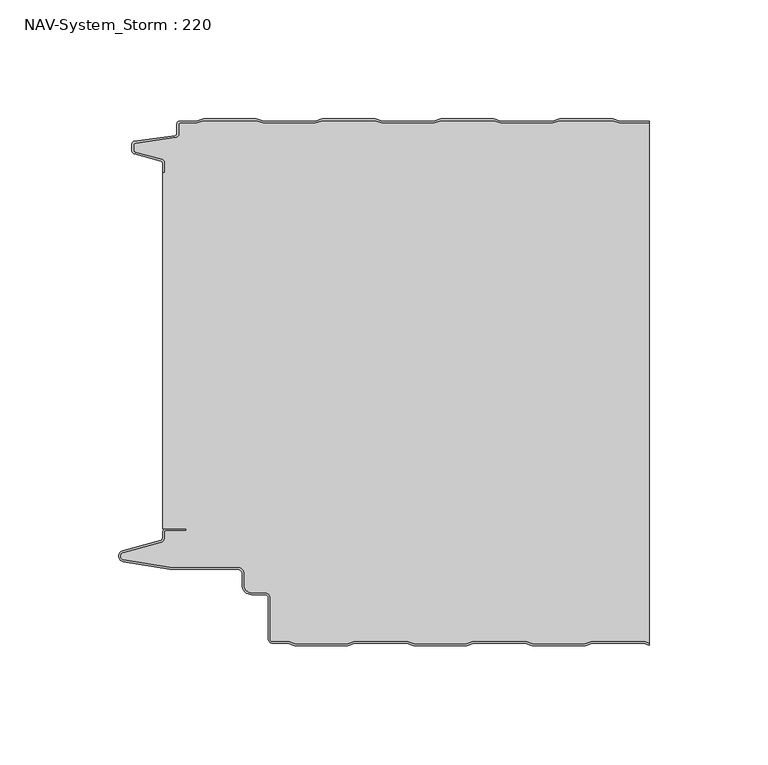
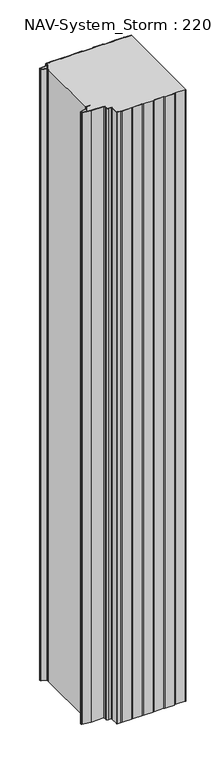
"""IFC4 building model written with IfcOpenShell, lengths in millimetres: plate geometry, NAV-System_Storm : 220."""

from ifc_helpers import new_model, si_unit, point, frame, frame_2d, origin, origin_with_axes, place, context, project, spatial, polyline, circle_curve, trimmed, segment, composite_curve, outline, extrude, source, transform, mapped, element, save
from ifc_brep_helpers import plane_surface, cylinder_surface, revolved_surface, advanced_brep


def nav_system_storm_220_94bc6c62(model_context):
    return source(origin(), model_context, "Body", "SolidModel", [
        extrude(outline(composite_curve([segment(polyline([(86.8684174, -0.8), (83.8684174, 0.2), (61.8684174, 0.2), (58.8684174, -0.8), (36.8684174, -0.8), (33.8684174, 0.2), (11.8684174, 0.2), (8.8684174, -0.8), (-13.1315826, -0.8), (-16.1315826, 0.2), (-38.1315826, 0.2), (-41.1315826, -0.8), (-63.1315826, -0.8), (-66.1315826, 0.2), (-88.1315826, 0.2), (-91.1315826, -0.8), (-98.2000153, -0.8)]), True, "CONTINUOUS"), segment(trimmed(circle_curve(frame_2d((-98.2000153, -1.3)), 0.5), [point((-98.2000153, -0.8))], [point((-98.7000153, -1.3))], True, "CARTESIAN"), True, "CONTINUOUS"), segment(polyline([(-98.7000153, -1.3), (-98.7000153, -5.3964683)]), True, "CONTINUOUS"), segment(trimmed(circle_curve(frame_2d((-100.2000153, -5.3964683)), 1.5), [point((-98.7000153, -5.3964683))], [point((-99.991136, -6.8818536))], False, "CARTESIAN"), True, "CONTINUOUS"), segment(polyline([(-99.991136, -6.8818536), (-116.9352336, -9.2645825)]), True, "CONTINUOUS"), segment(trimmed(circle_curve(frame_2d((-116.8115062, -10.1444347)), 0.8885091), [point((-116.9352336, -9.2645825))], [point((-117.7000153, -10.1444347))], True, "CARTESIAN"), True, "CONTINUOUS"), segment(polyline([(-117.7000153, -10.1444347), (-117.7000153, -12.46995)]), True, "CONTINUOUS"), segment(trimmed(circle_curve(frame_2d((-117.1000153, -12.46995)), 0.6), [point((-117.7000153, -12.46995))], [point((-117.2553067, -13.0495055))], True, "CARTESIAN"), True, "CONTINUOUS"), segment(polyline([(-117.2553067, -13.0495055), (-105.8785784, -16.0978907)]), True, "CONTINUOUS"), segment(trimmed(circle_curve(frame_2d((-106.266807, -17.5467794)), 1.5), [point((-105.8785784, -16.0978907))], [point((-104.766807, -17.5467794))], False, "CARTESIAN"), True, "CONTINUOUS"), segment(polyline([(-104.766807, -17.5467794), (-104.766807, -21.623446), (-105.566807, -21.623446), (-105.566807, -17.5467794)]), True, "CONTINUOUS"), segment(trimmed(circle_curve(frame_2d((-106.266807, -17.5467794)), 0.7), [point((-105.566807, -17.5467794))], [point((-106.0856337, -16.8706313))], True, "CARTESIAN"), True, "CONTINUOUS"), segment(polyline([(-106.0856337, -16.8706313), (-117.53648, -13.8023863)]), True, "CONTINUOUS"), segment(trimmed(circle_curve(frame_2d((-117.2000153, -12.5466827)), 1.3), [point((-117.53648, -13.8023863))], [point((-118.5000153, -12.5466827))], False, "CARTESIAN"), True, "CONTINUOUS"), segment(polyline([(-118.5000153, -12.5466827), (-118.5000153, -9.8067363)]), True, "CONTINUOUS"), segment(trimmed(circle_curve(frame_2d((-117.2000153, -9.8067363)), 1.3), [point((-118.5000153, -9.8067363))], [point((-117.3810439, -8.5194024))], False, "CARTESIAN"), True, "CONTINUOUS"), segment(polyline([(-117.3810439, -8.5194024), (-100.1025383, -6.0896481)]), True, "CONTINUOUS"), segment(trimmed(circle_curve(frame_2d((-100.2000153, -5.3964683)), 0.7), [point((-100.1025383, -6.0896481))], [point((-99.5000153, -5.3964683))], True, "CARTESIAN"), True, "CONTINUOUS"), segment(polyline([(-99.5000153, -5.3964683), (-99.5000153, -1.3)]), True, "CONTINUOUS"), segment(trimmed(circle_curve(frame_2d((-98.2000153, -1.3)), 1.3), [point((-99.5000153, -1.3))], [point((-98.2000153, 0.0))], False, "CARTESIAN"), True, "CONTINUOUS"), segment(polyline([(-98.2000153, 0.0), (-91.2614047, 0.0), (-88.2614047, 1.0), (-66.0017605, 1.0), (-63.0017605, 0.0), (-41.2614047, 0.0), (-38.2614047, 1.0), (-16.0017605, 1.0), (-13.0017605, 0.0), (8.7385953, 0.0), (11.7385953, 1.0), (33.9982395, 1.0), (36.9982395, 0.0), (58.7385953, 0.0), (61.7385953, 1.0), (83.9982395, 1.0), (86.9982395, 0.0), (99.5, 0.0), (99.5, -0.8), (86.8684174, -0.8)]), True, "CONTINUOUS")], self_intersect=False)), origin_with_axes(), (0.0, 0.0, 1.0), 1500.0),
        advanced_brep(
        [(86.8684327, -0.8, 1500.0), (83.8684327, 0.2, 1500.0), (61.8684327, 0.2, 1500.0), (58.8684327, -0.8, 1500.0), (36.8684327, -0.8, 1500.0), (33.8684327, 0.2, 1500.0), (11.8684327, 0.2, 1500.0), (8.8684327, -0.8, 1500.0), (-13.1315673, -0.8, 1500.0), (-16.1315673, 0.2, 1500.0), (-38.1315673, 0.2, 1500.0), (-41.1315673, -0.8, 1500.0), (-63.1315673, -0.8, 1500.0), (-66.1315673, 0.2, 1500.0), (-88.1315673, 0.2, 1500.0), (-91.1315673, -0.8, 1500.0), (-98.2, -0.8, 1500.0), (-98.7, -1.3, 1500.0), (-98.7, -5.3964683, 1500.0), (-99.9911207, -6.8818536, 1500.0), (-116.9352183, -9.2645825, 1500.0), (-117.7, -10.1444347, 1500.0), (-117.7, -12.46995, 1500.0), (-117.2552914, -13.0495055, 1500.0), (-105.8785632, -16.0978907, 1500.0), (-104.7667917, -17.5467794, 1500.0), (-104.7667917, -21.623446, 1500.0), (-105.5667917, -21.623446, 1500.0), (-105.5667917, -171.7763253, 1500.0), (-95.5330891, -171.7763253, 1500.0), (-95.5330891, -172.5763253, 1500.0), (-104.0330891, -172.5763253, 1500.0), (-104.7330891, -173.2763253, 1500.0), (-104.7330891, -175.8624192, 1500.0), (-105.9560377, -177.4561968, 1500.0), (-122.0574978, -181.8079393, 1500.0), (-121.9021816, -184.8341065, 1500.0), (-102.4332334, -188.0040626, 1500.0), (-73.9661198, -188.0040626, 1500.0), (-71.1661198, -190.806803, 1500.0), (-71.1661198, -195.5, 1500.0), (-67.9661198, -198.7, 1500.0), (-62.4661198, -198.7, 1500.0), (-60.1661198, -201.0, 1500.0), (-60.1661198, -218.2484002, 1500.0), (-59.2161211, -219.2, 1500.0), (-52.5977024, -219.2, 1500.0), (-49.5977024, -220.2, 1500.0), (-27.5977024, -220.2, 1500.0), (-24.5977024, -219.2, 1500.0), (-2.5977024, -219.2, 1500.0), (0.4022976, -220.2, 1500.0), (22.4022976, -220.2, 1500.0), (25.4022976, -219.2, 1500.0), (47.4022976, -219.2, 1500.0), (50.4022976, -220.2, 1500.0), (72.4022976, -220.2, 1500.0), (75.4022976, -219.2, 1500.0), (97.4022976, -219.2, 1500.0), (99.5, -219.8992341, 1500.0), (99.5, -0.8, 1500.0), (97.4022976, -219.2, 0.0), (75.4022976, -219.2, 0.0), (72.4022976, -220.2, 0.0), (50.4022976, -220.2, 0.0), (47.4022976, -219.2, 0.0), (25.4022976, -219.2, 0.0), (22.4022976, -220.2, 0.0), (0.4022976, -220.2, 0.0), (-2.5977024, -219.2, 0.0), (-24.5977024, -219.2, 0.0), (-27.5977024, -220.2, 0.0), (-49.5977024, -220.2, 0.0), (-52.5977024, -219.2, 0.0), (-59.2161211, -219.2, 0.0), (-60.1661198, -218.2484002, 0.0), (-60.1661198, -201.0, 0.0), (-62.4661198, -198.7, 0.0), (-67.9661198, -198.7, 0.0), (-71.1661198, -195.5, 0.0), (-71.1661198, -190.806803, 0.0), (-73.9661198, -188.006803, 0.0), (-102.4332334, -188.0040626, 0.0), (-121.9021816, -184.8341065, 0.0), (-122.0574978, -181.8079393, 0.0), (-105.9560377, -177.4561968, 0.0), (-104.7330891, -175.8624192, 0.0), (-104.7330891, -173.2763253, 0.0), (-104.0330891, -172.5763253, 0.0), (-95.5330891, -172.5763253, 0.0), (-95.5330891, -171.7763253, 0.0), (-105.5667917, -171.7763253, 0.0), (-105.5667917, -21.623446, 0.0), (-104.7667917, -21.623446, 0.0), (-104.7667917, -17.5467794, 0.0), (-105.8785632, -16.0978907, 0.0), (-117.2552914, -13.0495055, 0.0), (-117.7, -12.46995, 0.0), (-117.7, -10.1444347, 0.0), (-116.9352183, -9.2645825, 0.0), (-99.9911207, -6.8818536, 0.0), (-98.7, -5.3964683, 0.0), (-98.7, -1.3, 0.0), (-98.2, -0.8, 0.0), (-91.1315673, -0.8, 0.0), (-88.1315673, 0.2, 0.0), (-66.1315673, 0.2, 0.0), (-63.1315673, -0.8, 0.0), (-41.1315673, -0.8, 0.0), (-38.1315673, 0.2, 0.0), (-16.1315673, 0.2, 0.0), (-13.1315673, -0.8, 0.0), (8.8684327, -0.8, 0.0), (11.8684327, 0.2, 0.0), (33.8684327, 0.2, 0.0), (36.8684327, -0.8, 0.0), (58.8684327, -0.8, 0.0), (61.8684327, 0.2, 0.0), (83.8684327, 0.2, 0.0), (86.8684327, -0.8, 0.0), (99.5, -0.8, 0.0), (99.5, -219.8992341, 0.0)],
        [
            (0, 1),
            (1, 2),
            (2, 3),
            (3, 4),
            (4, 5),
            (5, 6),
            (6, 7),
            (7, 8),
            (8, 9),
            (9, 10),
            (10, 11),
            (11, 12),
            (12, 13),
            (13, 14),
            (14, 15),
            (15, 16),
            (16, 17, circle_curve(frame((-98.2, -1.3, 1500.0), z_axis=(0.0, 0.0, 1.0), x_axis=(1.0, 0.0, 0.0)), 0.5)),
            (17, 18),
            (18, 19, circle_curve(frame((-100.2, -5.3964683, 1500.0), z_axis=(0.0, 0.0, -1.0), x_axis=(1.0, 0.0, 0.0)), 1.5)),
            (19, 20),
            (20, 21, circle_curve(frame((-116.8114909, -10.1444347, 1500.0), z_axis=(0.0, 0.0, 1.0), x_axis=(1.0, 0.0, 0.0)), 0.8885091)),
            (21, 22),
            (22, 23, circle_curve(frame((-117.1, -12.46995, 1500.0), z_axis=(0.0, 0.0, 1.0), x_axis=(1.0, 0.0, 0.0)), 0.6)),
            (23, 24),
            (24, 25, circle_curve(frame((-106.2667917, -17.5467794, 1500.0), z_axis=(0.0, 0.0, -1.0), x_axis=(1.0, 0.0, 0.0)), 1.5)),
            (25, 26),
            (26, 27),
            (27, 28),
            (28, 29),
            (29, 30),
            (30, 31),
            (31, 32, circle_curve(frame((-104.0330891, -173.2763253, 1500.0), z_axis=(0.0, 0.0, 1.0), x_axis=(1.0, 0.0, 0.0)), 0.7)),
            (32, 33),
            (33, 34, circle_curve(frame((-106.3830891, -175.8624192, 1500.0), z_axis=(0.0, 0.0, -1.0), x_axis=(1.0, 0.0, 0.0)), 1.65)),
            (34, 35),
            (35, 36, circle_curve(frame((-121.6530891, -183.3042526, 1500.0), z_axis=(0.0, 0.0, 1.0), x_axis=(1.0, 0.0, 0.0)), 1.55)),
            (36, 37),
            (37, 38),
            (38, 39, circle_curve(frame((-73.9661198, -190.806803, 1500.0), z_axis=(0.0, 0.0, -1.0), x_axis=(1.0, 0.0, 0.0)), 2.8)),
            (39, 40),
            (40, 41, circle_curve(frame((-67.9661198, -195.5, 1500.0), z_axis=(0.0, 0.0, 1.0), x_axis=(1.0, 0.0, 0.0)), 3.2)),
            (41, 42),
            (42, 43, circle_curve(frame((-62.4661198, -201.0, 1500.0), z_axis=(0.0, 0.0, -1.0), x_axis=(1.0, 0.0, 0.0)), 2.3)),
            (43, 44),
            (44, 45, circle_curve(frame((-59.2161211, -218.25, 1500.0), z_axis=(0.0, 0.0, 1.0), x_axis=(1.0, 0.0, 0.0)), 0.95)),
            (45, 46),
            (46, 47),
            (47, 48),
            (48, 49),
            (49, 50),
            (50, 51),
            (51, 52),
            (52, 53),
            (53, 54),
            (54, 55),
            (55, 56),
            (56, 57),
            (57, 58),
            (58, 59),
            (59, 60),
            (60, 0),
            (61, 62),
            (62, 63),
            (63, 64),
            (64, 65),
            (65, 66),
            (66, 67),
            (67, 68),
            (68, 69),
            (69, 70),
            (70, 71),
            (71, 72),
            (72, 73),
            (73, 74),
            (74, 75, circle_curve(frame((-59.2161211, -218.25, 0.0), z_axis=(0.0, 0.0, -1.0), x_axis=(1.0, 0.0, 0.0)), 0.95)),
            (75, 76),
            (76, 77, circle_curve(frame((-62.4661198, -201.0, 0.0), z_axis=(0.0, 0.0, 1.0), x_axis=(1.0, 0.0, 0.0)), 2.3)),
            (77, 78),
            (78, 79, circle_curve(frame((-67.9661198, -195.5, 0.0), z_axis=(0.0, 0.0, -1.0), x_axis=(1.0, 0.0, 0.0)), 3.2)),
            (79, 80),
            (80, 81, circle_curve(frame((-73.9661198, -190.806803, 0.0), z_axis=(0.0, 0.0, 1.0), x_axis=(1.0, 0.0, 0.0)), 2.8)),
            (81, 82),
            (82, 83),
            (83, 84, circle_curve(frame((-121.6530891, -183.3042526, 0.0), z_axis=(0.0, 0.0, -1.0), x_axis=(1.0, 0.0, 0.0)), 1.55)),
            (84, 85),
            (85, 86, circle_curve(frame((-106.3830891, -175.8624192, 0.0), z_axis=(0.0, 0.0, 1.0), x_axis=(1.0, 0.0, 0.0)), 1.65)),
            (86, 87),
            (87, 88, circle_curve(frame((-104.0330891, -173.2763253, 0.0), z_axis=(0.0, 0.0, -1.0), x_axis=(1.0, 0.0, 0.0)), 0.7)),
            (88, 89),
            (89, 90),
            (90, 91),
            (91, 92),
            (92, 93),
            (93, 94),
            (94, 95, circle_curve(frame((-106.2667917, -17.5467794, 0.0), z_axis=(0.0, 0.0, 1.0), x_axis=(1.0, 0.0, 0.0)), 1.5)),
            (95, 96),
            (96, 97, circle_curve(frame((-117.1, -12.46995, 0.0), z_axis=(0.0, 0.0, -1.0), x_axis=(1.0, 0.0, 0.0)), 0.6)),
            (97, 98),
            (98, 99, circle_curve(frame((-116.8114909, -10.1444347, 0.0), z_axis=(0.0, 0.0, -1.0), x_axis=(1.0, 0.0, 0.0)), 0.8885091)),
            (99, 100),
            (100, 101, circle_curve(frame((-100.2, -5.3964683, 0.0), z_axis=(0.0, 0.0, 1.0), x_axis=(1.0, 0.0, 0.0)), 1.5)),
            (101, 102),
            (102, 103, circle_curve(frame((-98.2, -1.3, 0.0), z_axis=(0.0, 0.0, -1.0), x_axis=(1.0, 0.0, 0.0)), 0.5)),
            (103, 104),
            (104, 105),
            (105, 106),
            (106, 107),
            (107, 108),
            (108, 109),
            (109, 110),
            (110, 111),
            (111, 112),
            (112, 113),
            (113, 114),
            (114, 115),
            (115, 116),
            (116, 117),
            (117, 118),
            (118, 119),
            (119, 120),
            (120, 121),
            (121, 61),
            (119, 0),
            (60, 120),
            (118, 1),
            (117, 2),
            (116, 3),
            (115, 4),
            (114, 5),
            (113, 6),
            (112, 7),
            (111, 8),
            (110, 9),
            (109, 10),
            (108, 11),
            (107, 12),
            (106, 13),
            (105, 14),
            (104, 15),
            (103, 16),
            (102, 17),
            (101, 18),
            (100, 19),
            (99, 20),
            (98, 21),
            (97, 22),
            (96, 23),
            (95, 24),
            (94, 25),
            (93, 26),
            (92, 27),
            (91, 28),
            (90, 29),
            (89, 30),
            (88, 31),
            (87, 32),
            (86, 33),
            (85, 34),
            (84, 35),
            (83, 36),
            (82, 37),
            (81, 38),
            (80, 39),
            (79, 40),
            (78, 41),
            (77, 42),
            (76, 43),
            (75, 44),
            (74, 45),
            (73, 46),
            (72, 47),
            (71, 48),
            (70, 49),
            (69, 50),
            (68, 51),
            (67, 52),
            (66, 53),
            (65, 54),
            (64, 55),
            (63, 56),
            (62, 57),
            (61, 58),
            (121, 59),
        ],
        [
            plane_surface(frame((-99.5, 0.0, 1500.0), z_axis=(0.0, 0.0, 1.0), x_axis=(0.0, -1.0, 0.0))),
            plane_surface(frame((-99.5, 0.0, 0.0), z_axis=(0.0, 0.0, -1.0), x_axis=(0.0, -1.0, 0.0))),
            plane_surface(frame((108.8684327, -0.8, 1500.0), z_axis=(0.0, 1.0, 0.0), x_axis=(0.0, 0.0, -1.0))),
            plane_surface(frame((86.8684327, -0.8, 1500.0), z_axis=(0.3162277660167034, 0.9486832980505586, 0.0), x_axis=(0.0, 0.0, -1.0))),
            plane_surface(frame((83.8684327, 0.2, 1500.0), z_axis=(0.0, 1.0, 0.0), x_axis=(0.0, 0.0, -1.0))),
            plane_surface(frame((61.8684327, 0.2, 1500.0), z_axis=(-0.3162277660167478, 0.948683298050544, 0.0), x_axis=(0.0, 0.0, -1.0))),
            plane_surface(frame((58.8684327, -0.8, 1500.0), z_axis=(0.0, 1.0, 0.0), x_axis=(0.0, 0.0, -1.0))),
            plane_surface(frame((36.8684327, -0.8, 1500.0), z_axis=(0.3162277660167612, 0.9486832980505394, 0.0), x_axis=(0.0, 0.0, -1.0))),
            plane_surface(frame((33.8684327, 0.2, 1500.0), z_axis=(0.0, 1.0, 0.0), x_axis=(0.0, 0.0, -1.0))),
            plane_surface(frame((11.8684327, 0.2, 1500.0), z_axis=(-0.3162277660168056, 0.9486832980505246, 0.0), x_axis=(0.0, 0.0, -1.0))),
            plane_surface(frame((8.8684327, -0.8, 1500.0), z_axis=(0.0, 1.0, 0.0), x_axis=(0.0, 0.0, -1.0))),
            plane_surface(frame((-13.1315673, -0.8, 1500.0), z_axis=(0.3162277660167548, 0.9486832980505415, 0.0), x_axis=(0.0, 0.0, -1.0))),
            plane_surface(frame((-16.1315673, 0.2, 1500.0), z_axis=(0.0, 1.0, 0.0), x_axis=(0.0, 0.0, -1.0))),
            plane_surface(frame((-38.1315673, 0.2, 1500.0), z_axis=(-0.31622776601682484, 0.9486832980505183, 0.0), x_axis=(0.0, 0.0, -1.0))),
            plane_surface(frame((-41.1315673, -0.8, 1500.0), z_axis=(0.0, 1.0, 0.0), x_axis=(0.0, 0.0, -1.0))),
            plane_surface(frame((-63.1315673, -0.8, 1500.0), z_axis=(0.3162277660167034, 0.9486832980505586, 0.0), x_axis=(0.0, 0.0, -1.0))),
            plane_surface(frame((-66.1315673, 0.2, 1500.0), z_axis=(0.0, 1.0, 0.0), x_axis=(0.0, 0.0, -1.0))),
            plane_surface(frame((-88.1315673, 0.2, 1500.0), z_axis=(-0.31622776601670927, 0.9486832980505567, 0.0), x_axis=(0.0, 0.0, -1.0))),
            plane_surface(frame((-91.1315673, -0.8, 1500.0), z_axis=(0.0, 1.0, 0.0), x_axis=(0.0, 0.0, -1.0))),
            cylinder_surface(frame((-98.2, -1.3, 1500.0), z_axis=(0.0, 0.0, 1.0), x_axis=(1.0, 0.0, 0.0)), 0.5),
            plane_surface(frame((-98.7, -1.3, 1500.0), z_axis=(-1.0, 0.0, 0.0), x_axis=(0.0, 0.0, -1.0))),
            revolved_surface(polyline([(-98.7, -5.3964683, 0.0), (-98.7, -5.3964683, 1500.0)]), (-100.2, -5.3964683, 1500.0), (0.0, 0.0, -1.0)),
            plane_surface(frame((-99.9911207, -6.8818536, 1500.0), z_axis=(-0.13925283650469739, 0.9902568593680107, 0.0), x_axis=(0.0, 0.0, -1.0))),
            cylinder_surface(frame((-116.8114909, -10.1444347, 1500.0), z_axis=(0.0, 0.0, 1.0), x_axis=(1.0, 0.0, 0.0)), 0.8885091),
            plane_surface(frame((-117.7, -10.1444347, 1500.0), z_axis=(-1.0, 0.0, 0.0), x_axis=(0.0, 0.0, -1.0))),
            cylinder_surface(frame((-117.1, -12.46995, 1500.0), z_axis=(0.0, 0.0, 1.0), x_axis=(1.0, 0.0, 0.0)), 0.6),
            plane_surface(frame((-117.2552914, -13.0495055, 1500.0), z_axis=(-0.2588190451027143, -0.9659258262890165, 0.0), x_axis=(0.0, 0.0, -1.0))),
            revolved_surface(polyline([(-104.7667917, -17.5467794, 0.0), (-104.7667917, -17.5467794, 1500.0)]), (-106.2667917, -17.5467794, 1500.0), (0.0, 0.0, -1.0)),
            plane_surface(frame((-104.7667917, -17.5467794, 1500.0), z_axis=(-1.0, 0.0, 0.0), x_axis=(0.0, 0.0, -1.0))),
            plane_surface(frame((-104.7667917, -21.623446, 1500.0), z_axis=(0.0, 1.0, 0.0), x_axis=(0.0, 0.0, -1.0))),
            plane_surface(frame((-105.5667917, -21.623446, 1500.0), z_axis=(-1.0, 0.0, 0.0), x_axis=(0.0, 0.0, -1.0))),
            plane_surface(frame((-105.5667917, -171.7763253, 1500.0), z_axis=(0.0, -1.0, 0.0), x_axis=(0.0, 0.0, -1.0))),
            plane_surface(frame((-95.5330891, -171.7763253, 1500.0), z_axis=(-1.0, 0.0, 0.0), x_axis=(0.0, 0.0, -1.0))),
            plane_surface(frame((-95.5330891, -172.5763253, 1500.0), z_axis=(0.0, 1.0, 0.0), x_axis=(0.0, 0.0, -1.0))),
            cylinder_surface(frame((-104.0330891, -173.2763253, 1500.0), z_axis=(0.0, 0.0, 1.0), x_axis=(1.0, 0.0, 0.0)), 0.7),
            plane_surface(frame((-104.7330891, -173.2763253, 1500.0), z_axis=(-1.0, 0.0, 0.0), x_axis=(0.0, 0.0, -1.0))),
            revolved_surface(polyline([(-104.7330891, -175.8624192, 0.0), (-104.7330891, -175.8624192, 1500.0)]), (-106.3830891, -175.8624192, 1500.0), (0.0, 0.0, -1.0)),
            plane_surface(frame((-105.9560377, -177.4561968, 1500.0), z_axis=(-0.2609088270168501, 0.9653634465757918, 0.0), x_axis=(0.0, 0.0, -1.0))),
            cylinder_surface(frame((-121.6530891, -183.3042526, 1500.0), z_axis=(0.0, 0.0, 1.0), x_axis=(1.0, 0.0, 0.0)), 1.55),
            plane_surface(frame((-121.9021816, -184.8341065, 1500.0), z_axis=(-0.16070486280353136, -0.9870025061119643, 0.0), x_axis=(0.0, 0.0, -1.0))),
            plane_surface(frame((-102.4332334, -188.0040626, 1500.0), z_axis=(0.0, -1.0, 0.0), x_axis=(0.0, 0.0, -1.0))),
            revolved_surface(polyline([(-71.1661198, -190.806803, 0.0), (-71.1661198, -190.806803, 1500.0)]), (-73.9661198, -190.806803, 1500.0), (0.0, 0.0, -1.0)),
            plane_surface(frame((-71.1661198, -190.806803, 1500.0), z_axis=(-1.0, 0.0, 0.0), x_axis=(0.0, 0.0, -1.0))),
            cylinder_surface(frame((-67.9661198, -195.5, 1500.0), z_axis=(0.0, 0.0, 1.0), x_axis=(1.0, 0.0, 0.0)), 3.2),
            plane_surface(frame((-67.9661198, -198.7, 1500.0), z_axis=(0.0, -1.0, 0.0), x_axis=(0.0, 0.0, -1.0))),
            revolved_surface(polyline([(-60.166119800000004, -201.0, 0.0), (-60.166119800000004, -201.0, 1500.0)]), (-62.4661198, -201.0, 1500.0), (0.0, 0.0, -1.0)),
            plane_surface(frame((-60.1661198, -201.0, 1500.0), z_axis=(-1.0, 0.0, 0.0), x_axis=(0.0, 0.0, -1.0))),
            cylinder_surface(frame((-59.2161211, -218.25, 1500.0), z_axis=(0.0, 0.0, 1.0), x_axis=(1.0, 0.0, 0.0)), 0.95),
            plane_surface(frame((-59.2161211, -219.2, 1500.0), z_axis=(0.0, -1.0, 0.0), x_axis=(0.0, 0.0, -1.0))),
            plane_surface(frame((-52.5977024, -219.2, 1500.0), z_axis=(-0.3162277660167031, -0.9486832980505587, 0.0), x_axis=(0.0, 0.0, -1.0))),
            plane_surface(frame((-49.5977024, -220.2, 1500.0), z_axis=(0.0, -1.0, 0.0), x_axis=(0.0, 0.0, -1.0))),
            plane_surface(frame((-27.5977024, -220.2, 1500.0), z_axis=(0.31622776601667746, -0.9486832980505674, 0.0), x_axis=(0.0, 0.0, -1.0))),
            plane_surface(frame((-24.5977024, -219.2, 1500.0), z_axis=(0.0, -1.0, 0.0), x_axis=(0.0, 0.0, -1.0))),
            plane_surface(frame((-2.5977024, -219.2, 1500.0), z_axis=(-0.31622776601683794, -0.9486832980505139, 0.0), x_axis=(0.0, 0.0, -1.0))),
            plane_surface(frame((0.4022976, -220.2, 1500.0), z_axis=(0.0, -1.0, 0.0), x_axis=(0.0, 0.0, -1.0))),
            plane_surface(frame((22.4022976, -220.2, 1500.0), z_axis=(0.31622776601674163, -0.948683298050546, 0.0), x_axis=(0.0, 0.0, -1.0))),
            plane_surface(frame((25.4022976, -219.2, 1500.0), z_axis=(0.0, -1.0, 0.0), x_axis=(0.0, 0.0, -1.0))),
            plane_surface(frame((47.4022976, -219.2, 1500.0), z_axis=(-0.3162277660168251, -0.9486832980505182, 0.0), x_axis=(0.0, 0.0, -1.0))),
            plane_surface(frame((50.4022976, -220.2, 1500.0), z_axis=(0.0, -1.0, 0.0), x_axis=(0.0, 0.0, -1.0))),
            plane_surface(frame((72.4022976, -220.2, 1500.0), z_axis=(0.31622776601674163, -0.948683298050546, 0.0), x_axis=(0.0, 0.0, -1.0))),
            plane_surface(frame((75.4022976, -219.2, 1500.0), z_axis=(0.0, -1.0, 0.0), x_axis=(0.0, 0.0, -1.0))),
            plane_surface(frame((97.4022976, -219.2, 1500.0), z_axis=(-0.31622776601677377, -0.9486832980505353, 0.0), x_axis=(0.0, 0.0, -1.0))),
            plane_surface(frame((99.5, 100.0, 1500.0), z_axis=(1.0, 0.0, 0.0), x_axis=(0.0, 0.0, -1.0))),
        ],
        [
            (0, [[1, 2, 3, 4, 5, 6, 7, 8, 9, 10, 11, 12, 13, 14, 15, 16, 17, 18, 19, 20, 21, 22, 23, 24, 25, 26, 27, 28, 29, 30, 31, 32, 33, 34, 35, 36, 37, 38, 39, 40, 41, 42, 43, 44, 45, 46, 47, 48, 49, 50, 51, 52, 53, 54, 55, 56, 57, 58, 59, 60, 61]]),
            (1, [[62, 63, 64, 65, 66, 67, 68, 69, 70, 71, 72, 73, 74, 75, 76, 77, 78, 79, 80, 81, 82, 83, 84, 85, 86, 87, 88, 89, 90, 91, 92, 93, 94, 95, 96, 97, 98, 99, 100, 101, 102, 103, 104, 105, 106, 107, 108, 109, 110, 111, 112, 113, 114, 115, 116, 117, 118, 119, 120, 121, 122]]),
            (2, [[123, -61, 124, -120]]),
            (3, [[-1, -123, -119, 125]]),
            (4, [[-2, -125, -118, 126]]),
            (5, [[-3, -126, -117, 127]]),
            (6, [[-4, -127, -116, 128]]),
            (7, [[-5, -128, -115, 129]]),
            (8, [[-6, -129, -114, 130]]),
            (9, [[-7, -130, -113, 131]]),
            (10, [[-8, -131, -112, 132]]),
            (11, [[-9, -132, -111, 133]]),
            (12, [[-10, -133, -110, 134]]),
            (13, [[-11, -134, -109, 135]]),
            (14, [[-12, -135, -108, 136]]),
            (15, [[-13, -136, -107, 137]]),
            (16, [[-14, -137, -106, 138]]),
            (17, [[-15, -138, -105, 139]]),
            (18, [[-16, -139, -104, 140]]),
            (19, [[-17, -140, -103, 141]]),
            (20, [[-18, -141, -102, 142]]),
            (21, [[-19, -142, -101, 143]]),
            (22, [[-20, -143, -100, 144]]),
            (23, [[-21, -144, -99, 145]]),
            (24, [[-22, -145, -98, 146]]),
            (25, [[-23, -146, -97, 147]]),
            (26, [[-24, -147, -96, 148]]),
            (27, [[-25, -148, -95, 149]]),
            (28, [[-26, -149, -94, 150]]),
            (29, [[-27, -150, -93, 151]]),
            (30, [[-28, -151, -92, 152]]),
            (31, [[-29, -152, -91, 153]]),
            (32, [[-30, -153, -90, 154]]),
            (33, [[-31, -154, -89, 155]]),
            (34, [[-32, -155, -88, 156]]),
            (35, [[-33, -156, -87, 157]]),
            (36, [[-34, -157, -86, 158]]),
            (37, [[-35, -158, -85, 159]]),
            (38, [[-36, -159, -84, 160]]),
            (39, [[-37, -160, -83, 161]]),
            (40, [[-38, -161, -82, 162]]),
            (41, [[-39, -162, -81, 163]]),
            (42, [[-40, -163, -80, 164]]),
            (43, [[-41, -164, -79, 165]]),
            (44, [[-42, -165, -78, 166]]),
            (45, [[-43, -166, -77, 167]]),
            (46, [[-44, -167, -76, 168]]),
            (47, [[-45, -168, -75, 169]]),
            (48, [[-46, -169, -74, 170]]),
            (49, [[-47, -170, -73, 171]]),
            (50, [[-48, -171, -72, 172]]),
            (51, [[-49, -172, -71, 173]]),
            (52, [[-50, -173, -70, 174]]),
            (53, [[-51, -174, -69, 175]]),
            (54, [[-52, -175, -68, 176]]),
            (55, [[-53, -176, -67, 177]]),
            (56, [[-54, -177, -66, 178]]),
            (57, [[-55, -178, -65, 179]]),
            (58, [[-56, -179, -64, 180]]),
            (59, [[-57, -180, -63, 181]]),
            (60, [[-58, -181, -62, 182]]),
            (61, [[-182, -122, 183, -59]]),
            (62, [[-60, -183, -121, -124]]),
        ],
    ),
        advanced_brep(
        [(97.3684174, -219.2, 1500.0), (75.3684174, -219.2, 1500.0), (72.3684174, -220.2, 1500.0), (50.3684174, -220.2, 1500.0), (47.3684174, -219.2, 1500.0), (25.3684174, -219.2, 1500.0), (22.3684174, -220.2, 1500.0), (0.3684174, -220.2, 1500.0), (-2.6315826, -219.2, 1500.0), (-24.6315826, -219.2, 1500.0), (-27.6315826, -220.2, 1500.0), (-49.6315826, -220.2, 1500.0), (-52.6315826, -219.2, 1500.0), (-59.2500013, -219.2, 1500.0), (-60.2, -218.2484002, 1500.0), (-60.2, -201.0, 1500.0), (-62.5, -198.7, 1500.0), (-68.0, -198.7, 1500.0), (-71.2, -195.5, 1500.0), (-71.2, -190.806803, 1500.0), (-74.0, -188.006803, 1500.0), (-102.4671136, -188.0040626, 1500.0), (-121.9360619, -184.8341065, 1500.0), (-122.091378, -181.8079393, 1500.0), (-105.9899179, -177.4561968, 1500.0), (-104.7669693, -175.8624192, 1500.0), (-104.7669693, -173.2763253, 1500.0), (-104.0669693, -172.5763253, 1500.0), (-95.5669693, -172.5763253, 1500.0), (-95.5669693, -171.7763253, 1500.0), (-104.0669693, -171.7763253, 1500.0), (-105.5669693, -173.2763253, 1500.0), (-105.5669693, -175.9006976, 1500.0), (-106.1582424, -176.6729884, 1500.0), (-122.3001048, -181.0356484, 1500.0), (-122.0646249, -185.6237086, 1500.0), (-102.4341193, -188.806803, 1500.0), (-74.0, -188.806803, 1500.0), (-72.0, -190.806803, 1500.0), (-72.0, -195.5, 1500.0), (-68.0, -199.5, 1500.0), (-62.5, -199.5, 1500.0), (-61.0, -201.0, 1500.0), (-61.0, -218.2478286, 1500.0), (-59.2500013, -220.0, 1500.0), (-52.7614047, -220.0, 1500.0), (-49.7614047, -221.0, 1500.0), (-27.5017605, -221.0, 1500.0), (-24.5017605, -220.0, 1500.0), (-2.7614047, -220.0, 1500.0), (0.2385953, -221.0, 1500.0), (22.4982395, -221.0, 1500.0), (25.4982395, -220.0, 1500.0), (47.2385953, -220.0, 1500.0), (50.2385953, -221.0, 1500.0), (72.4982395, -221.0, 1500.0), (75.4982395, -220.0, 1500.0), (97.2385953, -220.0, 1500.0), (99.5, -220.7538016, 1500.0), (99.5, -219.9105275, 1500.0), (97.2385953, -220.0, 0.0), (75.4982395, -220.0, 0.0), (72.4982395, -221.0, 0.0), (50.2385953, -221.0, 0.0), (47.2385953, -220.0, 0.0), (25.4982395, -220.0, 0.0), (22.4982395, -221.0, 0.0), (0.2385953, -221.0, 0.0), (-2.7614047, -220.0, 0.0), (-24.5017605, -220.0, 0.0), (-27.5017605, -221.0, 0.0), (-49.7614047, -221.0, 0.0), (-52.7614047, -220.0, 0.0), (-59.2500013, -220.0, 0.0), (-61.0, -218.2478286, 0.0), (-61.0, -201.0, 0.0), (-62.5, -199.5, 0.0), (-68.0, -199.5, 0.0), (-72.0, -195.5, 0.0), (-72.0, -190.806803, 0.0), (-74.0, -188.806803, 0.0), (-102.4341193, -188.806803, 0.0), (-122.0646249, -185.6237086, 0.0), (-122.3001048, -181.0356484, 0.0), (-106.1582424, -176.6729884, 0.0), (-105.5669693, -175.9006976, 0.0), (-105.5669693, -173.2763253, 0.0), (-104.0669693, -171.7763253, 0.0), (-95.5669693, -171.7763253, 0.0), (-95.5669693, -172.5763253, 0.0), (-104.0669693, -172.5763253, 0.0), (-104.7669693, -173.2763253, 0.0), (-104.7669693, -175.8624192, 0.0), (-105.9899179, -177.4561968, 0.0), (-122.091378, -181.8079393, 0.0), (-121.9360619, -184.8341065, 0.0), (-102.4671136, -188.0040626, 0.0), (-74.0, -188.0040626, 0.0), (-71.2, -190.806803, 0.0), (-71.2, -195.5, 0.0), (-68.0, -198.7, 0.0), (-62.5, -198.7, 0.0), (-60.2, -201.0, 0.0), (-60.2, -218.2484002, 0.0), (-59.2500013, -219.2, 0.0), (-52.6315826, -219.2, 0.0), (-49.6315826, -220.2, 0.0), (-27.6315826, -220.2, 0.0), (-24.6315826, -219.2, 0.0), (-2.6315826, -219.2, 0.0), (0.3684174, -220.2, 0.0), (22.3684174, -220.2, 0.0), (25.3684174, -219.2, 0.0), (47.3684174, -219.2, 0.0), (50.3684174, -220.2, 0.0), (72.3684174, -220.2, 0.0), (75.3684174, -219.2, 0.0), (97.3684174, -219.2, 0.0), (99.5, -219.9105275, 0.0), (99.5, -220.7538016, 0.0)],
        [
            (0, 1),
            (1, 2),
            (2, 3),
            (3, 4),
            (4, 5),
            (5, 6),
            (6, 7),
            (7, 8),
            (8, 9),
            (9, 10),
            (10, 11),
            (11, 12),
            (12, 13),
            (13, 14, circle_curve(frame((-59.2500013, -218.25, 1500.0), z_axis=(0.0, 0.0, -1.0), x_axis=(1.0, 0.0, 0.0)), 0.95)),
            (14, 15),
            (15, 16, circle_curve(frame((-62.5, -201.0, 1500.0), z_axis=(0.0, 0.0, 1.0), x_axis=(1.0, 0.0, 0.0)), 2.3)),
            (16, 17),
            (17, 18, circle_curve(frame((-68.0, -195.5, 1500.0), z_axis=(0.0, 0.0, -1.0), x_axis=(1.0, 0.0, 0.0)), 3.2)),
            (18, 19),
            (19, 20, circle_curve(frame((-74.0, -190.806803, 1500.0), z_axis=(0.0, 0.0, 1.0), x_axis=(1.0, 0.0, 0.0)), 2.8)),
            (20, 21),
            (21, 22),
            (22, 23, circle_curve(frame((-121.6869693, -183.3042526, 1500.0), z_axis=(0.0, 0.0, -1.0), x_axis=(1.0, 0.0, 0.0)), 1.55)),
            (23, 24),
            (24, 25, circle_curve(frame((-106.4169693, -175.8624192, 1500.0), z_axis=(0.0, 0.0, 1.0), x_axis=(1.0, 0.0, 0.0)), 1.65)),
            (25, 26),
            (26, 27, circle_curve(frame((-104.0669693, -173.2763253, 1500.0), z_axis=(0.0, 0.0, -1.0), x_axis=(1.0, 0.0, 0.0)), 0.7)),
            (27, 28),
            (28, 29),
            (29, 30),
            (30, 31, circle_curve(frame((-104.0669693, -173.2763253, 1500.0), z_axis=(0.0, 0.0, 1.0), x_axis=(1.0, 0.0, 0.0)), 1.5)),
            (31, 32),
            (32, 33, circle_curve(frame((-106.3669693, -175.9006976, 1500.0), z_axis=(0.0, 0.0, -1.0), x_axis=(1.0, 0.0, 0.0)), 0.8)),
            (33, 34),
            (34, 35, circle_curve(frame((-121.6869693, -183.3042526, 1500.0), z_axis=(0.0, 0.0, 1.0), x_axis=(1.0, 0.0, 0.0)), 2.35)),
            (35, 36),
            (36, 37),
            (37, 38, circle_curve(frame((-74.0, -190.806803, 1500.0), z_axis=(0.0, 0.0, -1.0), x_axis=(1.0, 0.0, 0.0)), 2.0)),
            (38, 39),
            (39, 40, circle_curve(frame((-68.0, -195.5, 1500.0), z_axis=(0.0, 0.0, 1.0), x_axis=(1.0, 0.0, 0.0)), 4.0)),
            (40, 41),
            (41, 42, circle_curve(frame((-62.5, -201.0, 1500.0), z_axis=(0.0, 0.0, -1.0), x_axis=(1.0, 0.0, 0.0)), 1.5)),
            (42, 43),
            (43, 44, circle_curve(frame((-59.2500013, -218.25, 1500.0), z_axis=(0.0, 0.0, 1.0), x_axis=(1.0, 0.0, 0.0)), 1.75)),
            (44, 45),
            (45, 46),
            (46, 47),
            (47, 48),
            (48, 49),
            (49, 50),
            (50, 51),
            (51, 52),
            (52, 53),
            (53, 54),
            (54, 55),
            (55, 56),
            (56, 57),
            (57, 58),
            (58, 59),
            (59, 0),
            (60, 61),
            (61, 62),
            (62, 63),
            (63, 64),
            (64, 65),
            (65, 66),
            (66, 67),
            (67, 68),
            (68, 69),
            (69, 70),
            (70, 71),
            (71, 72),
            (72, 73),
            (73, 74, circle_curve(frame((-59.2500013, -218.25, 0.0), z_axis=(0.0, 0.0, -1.0), x_axis=(1.0, 0.0, 0.0)), 1.75)),
            (74, 75),
            (75, 76, circle_curve(frame((-62.5, -201.0, 0.0), z_axis=(0.0, 0.0, 1.0), x_axis=(1.0, 0.0, 0.0)), 1.5)),
            (76, 77),
            (77, 78, circle_curve(frame((-68.0, -195.5, 0.0), z_axis=(0.0, 0.0, -1.0), x_axis=(1.0, 0.0, 0.0)), 4.0)),
            (78, 79),
            (79, 80, circle_curve(frame((-74.0, -190.806803, 0.0), z_axis=(0.0, 0.0, 1.0), x_axis=(1.0, 0.0, 0.0)), 2.0)),
            (80, 81),
            (81, 82),
            (82, 83, circle_curve(frame((-121.6869693, -183.3042526, 0.0), z_axis=(0.0, 0.0, -1.0), x_axis=(1.0, 0.0, 0.0)), 2.35)),
            (83, 84),
            (84, 85, circle_curve(frame((-106.3669693, -175.9006976, 0.0), z_axis=(0.0, 0.0, 1.0), x_axis=(1.0, 0.0, 0.0)), 0.8)),
            (85, 86),
            (86, 87, circle_curve(frame((-104.0669693, -173.2763253, 0.0), z_axis=(0.0, 0.0, -1.0), x_axis=(1.0, 0.0, 0.0)), 1.5)),
            (87, 88),
            (88, 89),
            (89, 90),
            (90, 91, circle_curve(frame((-104.0669693, -173.2763253, 0.0), z_axis=(0.0, 0.0, 1.0), x_axis=(1.0, 0.0, 0.0)), 0.7)),
            (91, 92),
            (92, 93, circle_curve(frame((-106.4169693, -175.8624192, 0.0), z_axis=(0.0, 0.0, -1.0), x_axis=(1.0, 0.0, 0.0)), 1.65)),
            (93, 94),
            (94, 95, circle_curve(frame((-121.6869693, -183.3042526, 0.0), z_axis=(0.0, 0.0, 1.0), x_axis=(1.0, 0.0, 0.0)), 1.55)),
            (95, 96),
            (96, 97),
            (97, 98, circle_curve(frame((-74.0, -190.806803, 0.0), z_axis=(0.0, 0.0, -1.0), x_axis=(1.0, 0.0, 0.0)), 2.8)),
            (98, 99),
            (99, 100, circle_curve(frame((-68.0, -195.5, 0.0), z_axis=(0.0, 0.0, 1.0), x_axis=(1.0, 0.0, 0.0)), 3.2)),
            (100, 101),
            (101, 102, circle_curve(frame((-62.5, -201.0, 0.0), z_axis=(0.0, 0.0, -1.0), x_axis=(1.0, 0.0, 0.0)), 2.3)),
            (102, 103),
            (103, 104, circle_curve(frame((-59.2500013, -218.25, 0.0), z_axis=(0.0, 0.0, 1.0), x_axis=(1.0, 0.0, 0.0)), 0.95)),
            (104, 105),
            (105, 106),
            (106, 107),
            (107, 108),
            (108, 109),
            (109, 110),
            (110, 111),
            (111, 112),
            (112, 113),
            (113, 114),
            (114, 115),
            (115, 116),
            (116, 117),
            (117, 118),
            (118, 119),
            (119, 60),
            (44, 73),
            (72, 45),
            (71, 46),
            (70, 47),
            (69, 48),
            (68, 49),
            (67, 50),
            (66, 51),
            (65, 52),
            (64, 53),
            (63, 54),
            (62, 55),
            (61, 56),
            (60, 57),
            (119, 58),
            (117, 0),
            (59, 118),
            (116, 1),
            (115, 2),
            (114, 3),
            (113, 4),
            (112, 5),
            (111, 6),
            (110, 7),
            (109, 8),
            (108, 9),
            (107, 10),
            (106, 11),
            (105, 12),
            (104, 13),
            (103, 14),
            (102, 15),
            (101, 16),
            (100, 17),
            (99, 18),
            (98, 19),
            (97, 20),
            (96, 21),
            (95, 22),
            (94, 23),
            (93, 24),
            (92, 25),
            (91, 26),
            (90, 27),
            (89, 28),
            (88, 29),
            (87, 30),
            (86, 31),
            (85, 32),
            (84, 33),
            (83, 34),
            (82, 35),
            (81, 36),
            (80, 37),
            (79, 38),
            (78, 39),
            (77, 40),
            (76, 41),
            (75, 42),
            (74, 43),
        ],
        [
            plane_surface(frame((-99.5, -220.0, 1500.0), z_axis=(0.0, 0.0, 1.0), x_axis=(-1.0, 0.0, 0.0))),
            plane_surface(frame((-99.5, -220.0, 0.0), z_axis=(0.0, 0.0, -1.0), x_axis=(-1.0, 0.0, 0.0))),
            plane_surface(frame((-59.2500013, -220.0, 1500.0), z_axis=(0.0, -1.0, 0.0), x_axis=(0.0, 0.0, -1.0))),
            plane_surface(frame((-52.7614047, -220.0, 1500.0), z_axis=(-0.3162277660167412, -0.9486832980505461, 0.0), x_axis=(0.0, 0.0, -1.0))),
            plane_surface(frame((-49.7614047, -221.0, 1500.0), z_axis=(0.0, -1.0, 0.0), x_axis=(0.0, 0.0, -1.0))),
            plane_surface(frame((-27.5017605, -221.0, 1500.0), z_axis=(0.3162277660167414, -0.9486832980505461, 0.0), x_axis=(0.0, 0.0, -1.0))),
            plane_surface(frame((-24.5017605, -220.0, 1500.0), z_axis=(0.0, -1.0, 0.0), x_axis=(0.0, 0.0, -1.0))),
            plane_surface(frame((-2.7614047, -220.0, 1500.0), z_axis=(-0.3162277660168044, -0.948683298050525, 0.0), x_axis=(0.0, 0.0, -1.0))),
            plane_surface(frame((0.2385953, -221.0, 1500.0), z_axis=(0.0, -1.0, 0.0), x_axis=(0.0, 0.0, -1.0))),
            plane_surface(frame((22.4982395, -221.0, 1500.0), z_axis=(0.31622776601679237, -0.9486832980505291, 0.0), x_axis=(0.0, 0.0, -1.0))),
            plane_surface(frame((25.4982395, -220.0, 1500.0), z_axis=(0.0, -1.0, 0.0), x_axis=(0.0, 0.0, -1.0))),
            plane_surface(frame((47.2385953, -220.0, 1500.0), z_axis=(-0.3162277660168044, -0.948683298050525, 0.0), x_axis=(0.0, 0.0, -1.0))),
            plane_surface(frame((50.2385953, -221.0, 1500.0), z_axis=(0.0, -1.0, 0.0), x_axis=(0.0, 0.0, -1.0))),
            plane_surface(frame((72.4982395, -221.0, 1500.0), z_axis=(0.31622776601679237, -0.9486832980505291, 0.0), x_axis=(0.0, 0.0, -1.0))),
            plane_surface(frame((75.4982395, -220.0, 1500.0), z_axis=(0.0, -1.0, 0.0), x_axis=(0.0, 0.0, -1.0))),
            plane_surface(frame((97.2385953, -220.0, 1500.0), z_axis=(-0.31622776601675345, -0.948683298050542, 0.0), x_axis=(0.0, 0.0, -1.0))),
            plane_surface(frame((100.3684174, -220.2, 1500.0), z_axis=(0.3162277660167308, 0.9486832980505495, 0.0), x_axis=(0.0, 0.0, -1.0))),
            plane_surface(frame((97.3684174, -219.2, 1500.0), z_axis=(0.0, 1.0, 0.0), x_axis=(0.0, 0.0, -1.0))),
            plane_surface(frame((75.3684174, -219.2, 1500.0), z_axis=(-0.3162277660167753, 0.9486832980505348, 0.0), x_axis=(0.0, 0.0, -1.0))),
            plane_surface(frame((72.3684174, -220.2, 1500.0), z_axis=(0.0, 1.0, 0.0), x_axis=(0.0, 0.0, -1.0))),
            plane_surface(frame((50.3684174, -220.2, 1500.0), z_axis=(0.3162277660167874, 0.9486832980505308, 0.0), x_axis=(0.0, 0.0, -1.0))),
            plane_surface(frame((47.3684174, -219.2, 1500.0), z_axis=(0.0, 1.0, 0.0), x_axis=(0.0, 0.0, -1.0))),
            plane_surface(frame((25.3684174, -219.2, 1500.0), z_axis=(-0.3162277660167753, 0.9486832980505348, 0.0), x_axis=(0.0, 0.0, -1.0))),
            plane_surface(frame((22.3684174, -220.2, 1500.0), z_axis=(0.0, 1.0, 0.0), x_axis=(0.0, 0.0, -1.0))),
            plane_surface(frame((0.3684174, -220.2, 1500.0), z_axis=(0.3162277660167874, 0.9486832980505308, 0.0), x_axis=(0.0, 0.0, -1.0))),
            plane_surface(frame((-2.6315826, -219.2, 1500.0), z_axis=(0.0, 1.0, 0.0), x_axis=(0.0, 0.0, -1.0))),
            plane_surface(frame((-24.6315826, -219.2, 1500.0), z_axis=(-0.31622776601671876, 0.9486832980505536, 0.0), x_axis=(0.0, 0.0, -1.0))),
            plane_surface(frame((-27.6315826, -220.2, 1500.0), z_axis=(0.0, 1.0, 0.0), x_axis=(0.0, 0.0, -1.0))),
            plane_surface(frame((-49.6315826, -220.2, 1500.0), z_axis=(0.31622776601671854, 0.9486832980505536, 0.0), x_axis=(0.0, 0.0, -1.0))),
            plane_surface(frame((-52.6315826, -219.2, 1500.0), z_axis=(0.0, 1.0, 0.0), x_axis=(0.0, 0.0, -1.0))),
            revolved_surface(polyline([(-58.3000013, -218.25, 0.0), (-58.3000013, -218.25, 1500.0)]), (-59.2500013, -218.25, 1500.0), (0.0, 0.0, -1.0)),
            plane_surface(frame((-60.2, -218.2484002, 1500.0), z_axis=(1.0, 0.0, 0.0), x_axis=(0.0, 0.0, -1.0))),
            cylinder_surface(frame((-62.5, -201.0, 1500.0), z_axis=(0.0, 0.0, 1.0), x_axis=(1.0, 0.0, 0.0)), 2.3),
            plane_surface(frame((-62.5, -198.7, 1500.0), z_axis=(0.0, 1.0, 0.0), x_axis=(0.0, 0.0, -1.0))),
            revolved_surface(polyline([(-64.8, -195.5, 0.0), (-64.8, -195.5, 1500.0)]), (-68.0, -195.5, 1500.0), (0.0, 0.0, -1.0)),
            plane_surface(frame((-71.2, -195.5, 1500.0), z_axis=(1.0, 0.0, 0.0), x_axis=(0.0, 0.0, -1.0))),
            cylinder_surface(frame((-74.0, -190.806803, 1500.0), z_axis=(0.0, 0.0, 1.0), x_axis=(1.0, 0.0, 0.0)), 2.8),
            plane_surface(frame((-74.0, -188.0040626, 1500.0), z_axis=(0.0, 1.0, 0.0), x_axis=(0.0, 0.0, -1.0))),
            plane_surface(frame((-102.4671136, -188.0040626, 1500.0), z_axis=(0.16070486280342547, 0.9870025061119816, 0.0), x_axis=(0.0, 0.0, -1.0))),
            revolved_surface(polyline([(-120.1369693, -183.3042526, 0.0), (-120.1369693, -183.3042526, 1500.0)]), (-121.6869693, -183.3042526, 1500.0), (0.0, 0.0, -1.0)),
            plane_surface(frame((-122.091378, -181.8079393, 1500.0), z_axis=(0.2609088270169608, -0.9653634465757618, 0.0), x_axis=(0.0, 0.0, -1.0))),
            cylinder_surface(frame((-106.4169693, -175.8624192, 1500.0), z_axis=(0.0, 0.0, 1.0), x_axis=(1.0, 0.0, 0.0)), 1.65),
            plane_surface(frame((-104.7669693, -175.8624192, 1500.0), z_axis=(1.0, 0.0, 0.0), x_axis=(0.0, 0.0, -1.0))),
            revolved_surface(polyline([(-103.3669693, -173.2763253, 0.0), (-103.3669693, -173.2763253, 1500.0)]), (-104.0669693, -173.2763253, 1500.0), (0.0, 0.0, -1.0)),
            plane_surface(frame((-104.0669693, -172.5763253, 1500.0), z_axis=(0.0, -1.0, 0.0), x_axis=(0.0, 0.0, -1.0))),
            plane_surface(frame((-95.5669693, -172.5763253, 1500.0), z_axis=(1.0, 0.0, 0.0), x_axis=(0.0, 0.0, -1.0))),
            plane_surface(frame((-95.5669693, -171.7763253, 1500.0), z_axis=(0.0, 1.0, 0.0), x_axis=(0.0, 0.0, -1.0))),
            cylinder_surface(frame((-104.0669693, -173.2763253, 1500.0), z_axis=(0.0, 0.0, 1.0), x_axis=(1.0, 0.0, 0.0)), 1.5),
            plane_surface(frame((-105.5669693, -173.2763253, 1500.0), z_axis=(-1.0, 0.0, 0.0), x_axis=(0.0, 0.0, -1.0))),
            revolved_surface(polyline([(-105.5669693, -175.9006976, 0.0), (-105.5669693, -175.9006976, 1500.0)]), (-106.3669693, -175.9006976, 1500.0), (0.0, 0.0, -1.0)),
            plane_surface(frame((-106.1582424, -176.6729884, 1500.0), z_axis=(-0.26090871859979187, 0.965363475877669, 0.0), x_axis=(0.0, 0.0, -1.0))),
            cylinder_surface(frame((-121.6869693, -183.3042526, 1500.0), z_axis=(0.0, 0.0, 1.0), x_axis=(1.0, 0.0, 0.0)), 2.35),
            plane_surface(frame((-122.0646249, -185.6237086, 1500.0), z_axis=(-0.16005984548186533, -0.9871073122332351, 0.0), x_axis=(0.0, 0.0, -1.0))),
            plane_surface(frame((-102.4341193, -188.806803, 1500.0), z_axis=(0.0, -1.0, 0.0), x_axis=(0.0, 0.0, -1.0))),
            revolved_surface(polyline([(-72.0, -190.806803, 0.0), (-72.0, -190.806803, 1500.0)]), (-74.0, -190.806803, 1500.0), (0.0, 0.0, -1.0)),
            plane_surface(frame((-72.0, -190.806803, 1500.0), z_axis=(-1.0, 0.0, 0.0), x_axis=(0.0, 0.0, -1.0))),
            cylinder_surface(frame((-68.0, -195.5, 1500.0), z_axis=(0.0, 0.0, 1.0), x_axis=(1.0, 0.0, 0.0)), 4.0),
            plane_surface(frame((-68.0, -199.5, 1500.0), z_axis=(0.0, -1.0, 0.0), x_axis=(0.0, 0.0, -1.0))),
            revolved_surface(polyline([(-61.0, -201.0, 0.0), (-61.0, -201.0, 1500.0)]), (-62.5, -201.0, 1500.0), (0.0, 0.0, -1.0)),
            plane_surface(frame((-61.0, -201.0, 1500.0), z_axis=(-1.0, 0.0, 0.0), x_axis=(0.0, 0.0, -1.0))),
            cylinder_surface(frame((-59.2500013, -218.25, 1500.0), z_axis=(0.0, 0.0, 1.0), x_axis=(1.0, 0.0, 0.0)), 1.75),
            plane_surface(frame((99.5, 100.0, 1500.0), z_axis=(1.0, 0.0, 0.0), x_axis=(0.0, 0.0, -1.0))),
        ],
        [
            (0, [[1, 2, 3, 4, 5, 6, 7, 8, 9, 10, 11, 12, 13, 14, 15, 16, 17, 18, 19, 20, 21, 22, 23, 24, 25, 26, 27, 28, 29, 30, 31, 32, 33, 34, 35, 36, 37, 38, 39, 40, 41, 42, 43, 44, 45, 46, 47, 48, 49, 50, 51, 52, 53, 54, 55, 56, 57, 58, 59, 60]]),
            (1, [[61, 62, 63, 64, 65, 66, 67, 68, 69, 70, 71, 72, 73, 74, 75, 76, 77, 78, 79, 80, 81, 82, 83, 84, 85, 86, 87, 88, 89, 90, 91, 92, 93, 94, 95, 96, 97, 98, 99, 100, 101, 102, 103, 104, 105, 106, 107, 108, 109, 110, 111, 112, 113, 114, 115, 116, 117, 118, 119, 120]]),
            (2, [[-45, 121, -73, 122]]),
            (3, [[-46, -122, -72, 123]]),
            (4, [[-47, -123, -71, 124]]),
            (5, [[-48, -124, -70, 125]]),
            (6, [[-49, -125, -69, 126]]),
            (7, [[-50, -126, -68, 127]]),
            (8, [[-51, -127, -67, 128]]),
            (9, [[-52, -128, -66, 129]]),
            (10, [[-53, -129, -65, 130]]),
            (11, [[-54, -130, -64, 131]]),
            (12, [[-55, -131, -63, 132]]),
            (13, [[-56, -132, -62, 133]]),
            (14, [[-57, -133, -61, 134]]),
            (15, [[-134, -120, 135, -58]]),
            (16, [[136, -60, 137, -118]]),
            (17, [[-1, -136, -117, 138]]),
            (18, [[-2, -138, -116, 139]]),
            (19, [[-3, -139, -115, 140]]),
            (20, [[-4, -140, -114, 141]]),
            (21, [[-5, -141, -113, 142]]),
            (22, [[-6, -142, -112, 143]]),
            (23, [[-7, -143, -111, 144]]),
            (24, [[-8, -144, -110, 145]]),
            (25, [[-9, -145, -109, 146]]),
            (26, [[-10, -146, -108, 147]]),
            (27, [[-11, -147, -107, 148]]),
            (28, [[-12, -148, -106, 149]]),
            (29, [[-13, -149, -105, 150]]),
            (30, [[-14, -150, -104, 151]]),
            (31, [[-15, -151, -103, 152]]),
            (32, [[-16, -152, -102, 153]]),
            (33, [[-17, -153, -101, 154]]),
            (34, [[-18, -154, -100, 155]]),
            (35, [[-19, -155, -99, 156]]),
            (36, [[-20, -156, -98, 157]]),
            (37, [[-21, -157, -97, 158]]),
            (38, [[-22, -158, -96, 159]]),
            (39, [[-23, -159, -95, 160]]),
            (40, [[-24, -160, -94, 161]]),
            (41, [[-25, -161, -93, 162]]),
            (42, [[-26, -162, -92, 163]]),
            (43, [[-27, -163, -91, 164]]),
            (44, [[-28, -164, -90, 165]]),
            (45, [[-29, -165, -89, 166]]),
            (46, [[-30, -166, -88, 167]]),
            (47, [[-31, -167, -87, 168]]),
            (48, [[-32, -168, -86, 169]]),
            (49, [[-33, -169, -85, 170]]),
            (50, [[-34, -170, -84, 171]]),
            (51, [[-35, -171, -83, 172]]),
            (52, [[-36, -172, -82, 173]]),
            (53, [[-37, -173, -81, 174]]),
            (54, [[-38, -174, -80, 175]]),
            (55, [[-39, -175, -79, 176]]),
            (56, [[-40, -176, -78, 177]]),
            (57, [[-41, -177, -77, 178]]),
            (58, [[-42, -178, -76, 179]]),
            (59, [[-43, -179, -75, 180]]),
            (60, [[-44, -180, -74, -121]]),
            (61, [[-59, -135, -119, -137]]),
        ],
    ),
    ])


if __name__ == "__main__":
    model = new_model("IFC4")
    model_context = context("Model", 3, world=origin())
    ifc_project = project(units=[si_unit("LENGTHUNIT", "METRE", prefix="MILLI")], contexts=[model_context])
    site = spatial("IfcSite", under=ifc_project)
    building = spatial("IfcBuilding", under=site)
    placement = place(None, origin())
    nav_system_storm_220_shape = nav_system_storm_220_94bc6c62(model_context)
    element("IfcPlate", 1, ObjectType="NAV-System_Storm : 220", at=placement, inside=building, context=model_context, shape_type="MappedRepresentation", body=[
        mapped(nav_system_storm_220_shape, transform((0.0, 0.0, 0.0), x_axis=(1.0, 0.0, 0.0), y_axis=(0.0, 1.0, 0.0), z_axis=(0.0, 0.0, 1.0))),
    ])
    save(model, "model.ifc")
